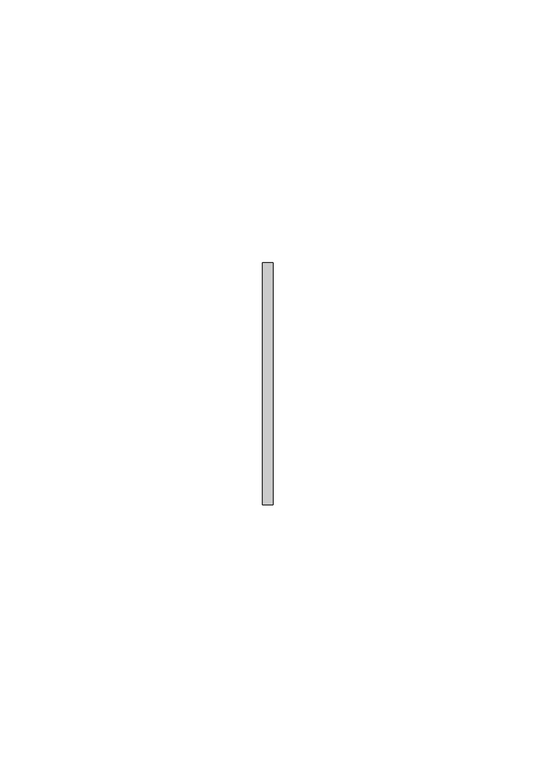
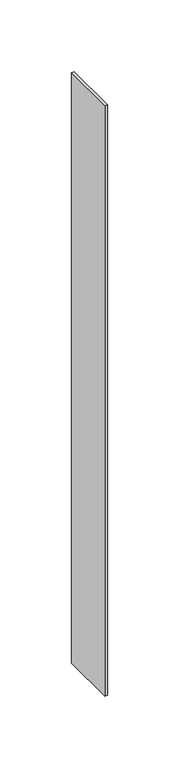
"""IFC4 building model written with IfcOpenShell, lengths in millimetres: member geometry."""

import ifcopenshell
import ifcopenshell.guid

model = None  # the IFC model being written
_history = None  # IfcOwnerHistory: only IFC2X3 demands one
_inside = {}  # id of a spatial element -> (the spatial element, [elements in it])
_under = {}  # id of a project, library or spatial element -> (it, [spatial elements below it])
_declared = {}  # id of a project -> (the project, [libraries it declares])
_typed = {}  # id of a type object -> (the type object, [elements of that type])
_made_of = {}  # id of a material, layer set ... -> (it, [elements and type objects made of it])


def new_model(schema):
    """Start an empty IFC model of exactly this schema.

    Asked for "IFC4X3", IfcOpenShell would pick the latest addendum, in which some entities
    have other attributes; the version numbers below select the first issue.
    IFC2X3 requires an IfcOwnerHistory on every rooted entity: one is made here for all.
    """
    global model, _history
    if schema == "IFC4X3":
        model = ifcopenshell.file(schema_version=(4, 3, 0, 0))
    else:
        model = ifcopenshell.file(schema=schema)
    _inside.clear()
    _under.clear()
    _declared.clear()
    _typed.clear()
    _made_of.clear()
    _history = None
    if model.schema == "IFC2X3":
        org = make("IfcOrganization", Name="unknown")
        user = make(
            "IfcPersonAndOrganization",
            ThePerson=make("IfcPerson", FamilyName="unknown"),
            TheOrganization=org,
        )
        app = make(
            "IfcApplication",
            ApplicationDeveloper=org,
            Version="unknown",
            ApplicationFullName="unknown",
            ApplicationIdentifier="unknown",
        )
        _history = make(
            "IfcOwnerHistory",
            OwningUser=user,
            OwningApplication=app,
            ChangeAction="ADDED",
            CreationDate=0,
        )
    return model


def make(cls, **values):
    """One entity of the class cls with the attributes given. An attribute that is None is left unset."""
    return model.create_entity(
        cls, **{name: value for name, value in values.items() if value is not None}
    )


def rooted(cls, **values):
    """An entity with a GlobalId (a new one), such as an element, a storey or a relation."""
    return make(cls, GlobalId=ifcopenshell.guid.new(), OwnerHistory=_history, **values)


def si_unit(unit_type, name, prefix=None):
    """IfcSIUnit, for example si_unit("LENGTHUNIT", "METRE", prefix="MILLI")."""
    return make("IfcSIUnit", UnitType=unit_type, Prefix=prefix, Name=name)


def assignment(units):
    """IfcUnitAssignment: the units of a project."""
    return None if units is None else make("IfcUnitAssignment", Units=units)


def point(xyz):
    """IfcCartesianPoint."""
    return None if xyz is None else make("IfcCartesianPoint", Coordinates=xyz)


def direction(xyz):
    """IfcDirection."""
    return None if xyz is None else make("IfcDirection", DirectionRatios=xyz)


def frame(location, z_axis=None, x_axis=None):
    """IfcAxis2Placement3D, a coordinate frame: its origin and axes. An axis left out is left unset."""
    return make(
        "IfcAxis2Placement3D",
        Location=point(location),
        Axis=direction(z_axis),
        RefDirection=direction(x_axis),
    )


def origin():
    """The frame at (0, 0, 0) with its axes left unset."""
    return frame((0.0, 0.0, 0.0))


def place(relative_to, where):
    """IfcLocalPlacement: puts the frame where relative to a parent placement (None: the world)."""
    return make(
        "IfcLocalPlacement", PlacementRelTo=relative_to, RelativePlacement=where
    )


def context(
    kind, dimensions, precision=None, world=None, true_north=None, identifier=None
):
    """IfcGeometricRepresentationContext, for example the 3D "Model" context."""
    return make(
        "IfcGeometricRepresentationContext",
        ContextIdentifier=identifier,
        ContextType=kind,
        CoordinateSpaceDimension=dimensions,
        Precision=precision,
        WorldCoordinateSystem=world,
        TrueNorth=true_north,
    )


def project(units=None, contexts=None):
    """IfcProject with its units and contexts."""
    return rooted(
        "IfcProject",
        Name="project",
        RepresentationContexts=contexts,
        UnitsInContext=assignment(units),
    )


def spatial(cls, under=None, at=None, **own):
    """A site, building, storey or space (cls), placed at a placement, below another one or the project."""
    s = rooted(cls, ObjectPlacement=at, **own)
    if under is not None:
        _under.setdefault(under.id(), (under, []))[1].append(s)
    return s


def polyline(points):
    """IfcPolyline through the points."""
    return make("IfcPolyline", Points=[point(p) for p in points])


def outline(outer, holes=None, kind="AREA"):
    """IfcArbitraryClosedProfileDef: a profile drawn as a closed curve; with holes, ...WithVoids."""
    if holes is None:
        return make("IfcArbitraryClosedProfileDef", ProfileType=kind, OuterCurve=outer)
    return make(
        "IfcArbitraryProfileDefWithVoids",
        ProfileType=kind,
        OuterCurve=outer,
        InnerCurves=holes,
    )


def extrude(swept, where, along, depth):
    """IfcExtrudedAreaSolid: the profile swept, set in the frame where, extruded along a direction by depth."""
    return make(
        "IfcExtrudedAreaSolid",
        SweptArea=swept,
        Position=where,
        ExtrudedDirection=direction(along),
        Depth=depth,
    )


def shape(context_of_items, identifier, shape_type, items):
    """IfcShapeRepresentation: the items that make up one representation, for example the "Body"."""
    return make(
        "IfcShapeRepresentation",
        ContextOfItems=context_of_items,
        RepresentationIdentifier=identifier,
        RepresentationType=shape_type,
        Items=items,
    )


def source(mapping_origin, context_of_items, identifier, shape_type, items):
    """IfcRepresentationMap: a shape defined once, which mapped items show again and again."""
    return make(
        "IfcRepresentationMap",
        MappingOrigin=mapping_origin,
        MappedRepresentation=shape(context_of_items, identifier, shape_type, items),
    )


def transform(
    local_origin,
    x_axis=None,
    y_axis=None,
    z_axis=None,
    scale=None,
    scale2=None,
    scale3=None,
    uniform=True,
):
    """IfcCartesianTransformationOperator3D, or its non-uniform kind. x_axis, y_axis, z_axis: its Axis1, 2, 3."""
    if uniform:
        return make(
            "IfcCartesianTransformationOperator3D",
            Axis1=direction(x_axis),
            Axis2=direction(y_axis),
            LocalOrigin=point(local_origin),
            Scale=scale,
            Axis3=direction(z_axis),
        )
    return make(
        "IfcCartesianTransformationOperator3DnonUniform",
        Axis1=direction(x_axis),
        Axis2=direction(y_axis),
        LocalOrigin=point(local_origin),
        Scale=scale,
        Axis3=direction(z_axis),
        Scale2=scale2,
        Scale3=scale3,
    )


def mapped(mapping_source, mapping_target):
    """IfcMappedItem: shows the shape of a source again, moved by a transform."""
    return make(
        "IfcMappedItem", MappingSource=mapping_source, MappingTarget=mapping_target
    )


def made_of(thing, what):
    """Note that an element or type object is made of a material, layer set ...; save() writes the relation."""
    if what is not None:
        _made_of.setdefault(what.id(), (what, []))[1].append(thing)
    return thing


def element(
    cls,
    number,
    at=None,
    inside=None,
    cuts=None,
    type_object=None,
    material=None,
    context=None,
    identifier="Body",
    shape_type=None,
    held_by="IfcProductDefinitionShape",
    body=None,
    shapes=None,
    **own,
):
    """One element of the class cls, such as IfcWall. Its Tag is "e" and its number.

    at: its placement. inside: the storey or other place that contains it. cuts: it is an
    opening in that element (IfcRelVoidsElement). A single representation is given by context,
    identifier, shape_type and body (its items); several are given by shapes. held_by: the class
    of the entity that holds the representations. save() writes the other relations.
    """
    e = rooted(cls, Tag="e%d" % number, ObjectPlacement=at, **own)
    if body is not None:
        shapes = [shape(context, identifier, shape_type, body)]
    if shapes is not None:
        e.Representation = make(held_by, Representations=shapes)
    if inside is not None:
        _inside.setdefault(inside.id(), (inside, []))[1].append(e)
    if cuts is not None:
        rooted(
            "IfcRelVoidsElement", RelatingBuildingElement=cuts, RelatedOpeningElement=e
        )
    if type_object is not None:
        _typed.setdefault(type_object.id(), (type_object, []))[1].append(e)
    return made_of(e, material)


def aggregate(whole, parts):
    """IfcRelAggregates: a whole, such as a stair, and the parts it consists of."""
    return rooted("IfcRelAggregates", RelatingObject=whole, RelatedObjects=parts)


def save(model, path):
    """Write the relations noted so far, then the file.

    IfcRelAggregates (storeys below a building ...), IfcRelContainedInSpatialStructure (elements
    in a storey), IfcRelDefinesByType, IfcRelAssociatesMaterial and IfcRelDeclares: one each for
    every whole, place, type object, material and project.
    """
    for whole, parts in _under.values():
        aggregate(whole, parts)
    for where, things in _inside.values():
        rooted(
            "IfcRelContainedInSpatialStructure",
            RelatedElements=things,
            RelatingStructure=where,
        )
    for kind, things in _typed.values():
        rooted("IfcRelDefinesByType", RelatedObjects=things, RelatingType=kind)
    for what, things in _made_of.values():
        rooted("IfcRelAssociatesMaterial", RelatedObjects=things, RelatingMaterial=what)
    for by, libraries in _declared.values():
        rooted("IfcRelDeclares", RelatingContext=by, RelatedDefinitions=libraries)
    model.write(path)


def member_e582bb8a(model_context):
    return source(origin(), model_context, "Body", "SweptSolid", [
        extrude(outline(polyline([(1.0, 23.0), (1.0, -23.0), (-1.0, -23.0), (-1.0, 23.0), (1.0, 23.0)])), frame((0.0, 0.0, -501.0), z_axis=(0.0, 0.0, 1.0), x_axis=(1.0, 0.0, 0.0)), (0.0, 0.0, 1.0), 501.0),
    ])


if __name__ == "__main__":
    model = new_model("IFC4")
    model_context = context("Model", 3, world=origin())
    ifc_project = project(units=[si_unit("LENGTHUNIT", "METRE", prefix="MILLI")], contexts=[model_context])
    site = spatial("IfcSite", under=ifc_project)
    building = spatial("IfcBuilding", under=site)
    placement = place(None, origin())
    member_shape = member_e582bb8a(model_context)
    element("IfcMember", 1, at=placement, inside=building, context=model_context, shape_type="MappedRepresentation", body=[
        mapped(member_shape, transform((0.0, 0.0, 0.0), x_axis=(1.0, 0.0, 0.0), y_axis=(0.0, 1.0, 0.0), z_axis=(0.0, 0.0, 1.0))),
    ])
    save(model, "model.ifc")
